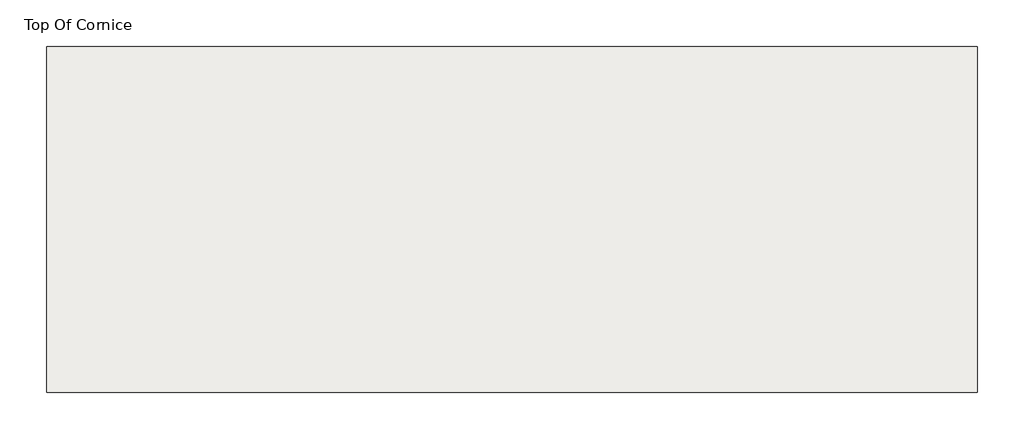
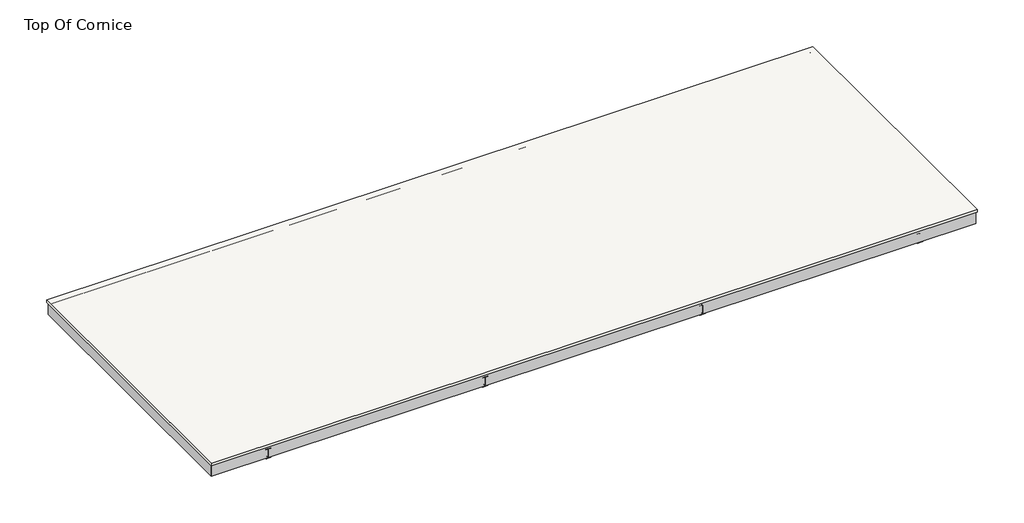
# One storey, part 1 of 2: 61 proxies, 17 beams, 1 roof.
"""IFC4 building model written with IfcOpenShell, lengths in millimetres."""

import ifcopenshell
import ifcopenshell.guid

model = None  # the IFC model being written
_history = None  # IfcOwnerHistory: only IFC2X3 demands one
_inside = {}  # id of a spatial element -> (the spatial element, [elements in it])
_under = {}  # id of a project, library or spatial element -> (it, [spatial elements below it])
_declared = {}  # id of a project -> (the project, [libraries it declares])
_typed = {}  # id of a type object -> (the type object, [elements of that type])
_made_of = {}  # id of a material, layer set ... -> (it, [elements and type objects made of it])


def new_model(schema):
    """Start an empty IFC model of exactly this schema.

    Asked for "IFC4X3", IfcOpenShell would pick the latest addendum, in which some entities
    have other attributes; the version numbers below select the first issue.
    IFC2X3 requires an IfcOwnerHistory on every rooted entity: one is made here for all.
    """
    global model, _history
    if schema == "IFC4X3":
        model = ifcopenshell.file(schema_version=(4, 3, 0, 0))
    else:
        model = ifcopenshell.file(schema=schema)
    _inside.clear()
    _under.clear()
    _declared.clear()
    _typed.clear()
    _made_of.clear()
    _history = None
    if model.schema == "IFC2X3":
        org = make("IfcOrganization", Name="unknown")
        user = make(
            "IfcPersonAndOrganization",
            ThePerson=make("IfcPerson", FamilyName="unknown"),
            TheOrganization=org,
        )
        app = make(
            "IfcApplication",
            ApplicationDeveloper=org,
            Version="unknown",
            ApplicationFullName="unknown",
            ApplicationIdentifier="unknown",
        )
        _history = make(
            "IfcOwnerHistory",
            OwningUser=user,
            OwningApplication=app,
            ChangeAction="ADDED",
            CreationDate=0,
        )
    return model


def make(cls, **values):
    """One entity of the class cls with the attributes given. An attribute that is None is left unset."""
    return model.create_entity(
        cls, **{name: value for name, value in values.items() if value is not None}
    )


def rooted(cls, **values):
    """An entity with a GlobalId (a new one), such as an element, a storey or a relation."""
    return make(cls, GlobalId=ifcopenshell.guid.new(), OwnerHistory=_history, **values)


def si_unit(unit_type, name, prefix=None):
    """IfcSIUnit, for example si_unit("LENGTHUNIT", "METRE", prefix="MILLI")."""
    return make("IfcSIUnit", UnitType=unit_type, Prefix=prefix, Name=name)


def assignment(units):
    """IfcUnitAssignment: the units of a project."""
    return None if units is None else make("IfcUnitAssignment", Units=units)


def point(xyz):
    """IfcCartesianPoint."""
    return None if xyz is None else make("IfcCartesianPoint", Coordinates=xyz)


def direction(xyz):
    """IfcDirection."""
    return None if xyz is None else make("IfcDirection", DirectionRatios=xyz)


def frame(location, z_axis=None, x_axis=None):
    """IfcAxis2Placement3D, a coordinate frame: its origin and axes. An axis left out is left unset."""
    return make(
        "IfcAxis2Placement3D",
        Location=point(location),
        Axis=direction(z_axis),
        RefDirection=direction(x_axis),
    )


def frame_2d(location, x_axis=None):
    """IfcAxis2Placement2D, a coordinate frame in the plane: its origin and x axis."""
    return make(
        "IfcAxis2Placement2D", Location=point(location), RefDirection=direction(x_axis)
    )


def origin():
    """The frame at (0, 0, 0) with its axes left unset."""
    return frame((0.0, 0.0, 0.0))


def place(relative_to, where):
    """IfcLocalPlacement: puts the frame where relative to a parent placement (None: the world)."""
    return make(
        "IfcLocalPlacement", PlacementRelTo=relative_to, RelativePlacement=where
    )


def context(
    kind, dimensions, precision=None, world=None, true_north=None, identifier=None
):
    """IfcGeometricRepresentationContext, for example the 3D "Model" context."""
    return make(
        "IfcGeometricRepresentationContext",
        ContextIdentifier=identifier,
        ContextType=kind,
        CoordinateSpaceDimension=dimensions,
        Precision=precision,
        WorldCoordinateSystem=world,
        TrueNorth=true_north,
    )


def project(units=None, contexts=None):
    """IfcProject with its units and contexts."""
    return rooted(
        "IfcProject",
        Name="project",
        RepresentationContexts=contexts,
        UnitsInContext=assignment(units),
    )


def spatial(cls, under=None, at=None, **own):
    """A site, building, storey or space (cls), placed at a placement, below another one or the project."""
    s = rooted(cls, ObjectPlacement=at, **own)
    if under is not None:
        _under.setdefault(under.id(), (under, []))[1].append(s)
    return s


def polyline(points):
    """IfcPolyline through the points."""
    return make("IfcPolyline", Points=[point(p) for p in points])


def circle_curve(where, radius):
    """IfcCircle in the frame where."""
    return make("IfcCircle", Position=where, Radius=radius)


def ellipse_curve(where, semi_axis1, semi_axis2):
    """IfcEllipse in the frame where."""
    return make(
        "IfcEllipse", Position=where, SemiAxis1=semi_axis1, SemiAxis2=semi_axis2
    )


def trimmed(basis, trim1, trim2, sense, master):
    """IfcTrimmedCurve: the piece of a basis curve between two trims."""
    return make(
        "IfcTrimmedCurve",
        BasisCurve=basis,
        Trim1=trim1,
        Trim2=trim2,
        SenseAgreement=sense,
        MasterRepresentation=master,
    )


def segment(curve, same_sense, transition):
    """IfcCompositeCurveSegment."""
    return make(
        "IfcCompositeCurveSegment",
        Transition=transition,
        SameSense=same_sense,
        ParentCurve=curve,
    )


def composite_curve(segments, self_intersect=None):
    """IfcCompositeCurve: segments joined end to end."""
    return make("IfcCompositeCurve", Segments=segments, SelfIntersect=self_intersect)


def outline(outer, holes=None, kind="AREA"):
    """IfcArbitraryClosedProfileDef: a profile drawn as a closed curve; with holes, ...WithVoids."""
    if holes is None:
        return make("IfcArbitraryClosedProfileDef", ProfileType=kind, OuterCurve=outer)
    return make(
        "IfcArbitraryProfileDefWithVoids",
        ProfileType=kind,
        OuterCurve=outer,
        InnerCurves=holes,
    )


def extrude(swept, where, along, depth):
    """IfcExtrudedAreaSolid: the profile swept, set in the frame where, extruded along a direction by depth."""
    return make(
        "IfcExtrudedAreaSolid",
        SweptArea=swept,
        Position=where,
        ExtrudedDirection=direction(along),
        Depth=depth,
    )


def shape(context_of_items, identifier, shape_type, items):
    """IfcShapeRepresentation: the items that make up one representation, for example the "Body"."""
    return make(
        "IfcShapeRepresentation",
        ContextOfItems=context_of_items,
        RepresentationIdentifier=identifier,
        RepresentationType=shape_type,
        Items=items,
    )


def source(mapping_origin, context_of_items, identifier, shape_type, items):
    """IfcRepresentationMap: a shape defined once, which mapped items show again and again."""
    return make(
        "IfcRepresentationMap",
        MappingOrigin=mapping_origin,
        MappedRepresentation=shape(context_of_items, identifier, shape_type, items),
    )


def transform(
    local_origin,
    x_axis=None,
    y_axis=None,
    z_axis=None,
    scale=None,
    scale2=None,
    scale3=None,
    uniform=True,
):
    """IfcCartesianTransformationOperator3D, or its non-uniform kind. x_axis, y_axis, z_axis: its Axis1, 2, 3."""
    if uniform:
        return make(
            "IfcCartesianTransformationOperator3D",
            Axis1=direction(x_axis),
            Axis2=direction(y_axis),
            LocalOrigin=point(local_origin),
            Scale=scale,
            Axis3=direction(z_axis),
        )
    return make(
        "IfcCartesianTransformationOperator3DnonUniform",
        Axis1=direction(x_axis),
        Axis2=direction(y_axis),
        LocalOrigin=point(local_origin),
        Scale=scale,
        Axis3=direction(z_axis),
        Scale2=scale2,
        Scale3=scale3,
    )


def mapped(mapping_source, mapping_target):
    """IfcMappedItem: shows the shape of a source again, moved by a transform."""
    return make(
        "IfcMappedItem", MappingSource=mapping_source, MappingTarget=mapping_target
    )


def made_of(thing, what):
    """Note that an element or type object is made of a material, layer set ...; save() writes the relation."""
    if what is not None:
        _made_of.setdefault(what.id(), (what, []))[1].append(thing)
    return thing


def element(
    cls,
    number,
    at=None,
    inside=None,
    cuts=None,
    type_object=None,
    material=None,
    context=None,
    identifier="Body",
    shape_type=None,
    held_by="IfcProductDefinitionShape",
    body=None,
    shapes=None,
    **own,
):
    """One element of the class cls, such as IfcWall. Its Tag is "e" and its number.

    at: its placement. inside: the storey or other place that contains it. cuts: it is an
    opening in that element (IfcRelVoidsElement). A single representation is given by context,
    identifier, shape_type and body (its items); several are given by shapes. held_by: the class
    of the entity that holds the representations. save() writes the other relations.
    """
    e = rooted(cls, Tag="e%d" % number, ObjectPlacement=at, **own)
    if body is not None:
        shapes = [shape(context, identifier, shape_type, body)]
    if shapes is not None:
        e.Representation = make(held_by, Representations=shapes)
    if inside is not None:
        _inside.setdefault(inside.id(), (inside, []))[1].append(e)
    if cuts is not None:
        rooted(
            "IfcRelVoidsElement", RelatingBuildingElement=cuts, RelatedOpeningElement=e
        )
    if type_object is not None:
        _typed.setdefault(type_object.id(), (type_object, []))[1].append(e)
    return made_of(e, material)


def aggregate(whole, parts):
    """IfcRelAggregates: a whole, such as a stair, and the parts it consists of."""
    return rooted("IfcRelAggregates", RelatingObject=whole, RelatedObjects=parts)


def save(model, path):
    """Write the relations noted so far, then the file.

    IfcRelAggregates (storeys below a building ...), IfcRelContainedInSpatialStructure (elements
    in a storey), IfcRelDefinesByType, IfcRelAssociatesMaterial and IfcRelDeclares: one each for
    every whole, place, type object, material and project.
    """
    for whole, parts in _under.values():
        aggregate(whole, parts)
    for where, things in _inside.values():
        rooted(
            "IfcRelContainedInSpatialStructure",
            RelatedElements=things,
            RelatingStructure=where,
        )
    for kind, things in _typed.values():
        rooted("IfcRelDefinesByType", RelatedObjects=things, RelatingType=kind)
    for what, things in _made_of.values():
        rooted("IfcRelAssociatesMaterial", RelatedObjects=things, RelatingMaterial=what)
    for by, libraries in _declared.values():
        rooted("IfcRelDeclares", RelatingContext=by, RelatedDefinitions=libraries)
    model.write(path)


def plane_surface(at):
    """IfcPlane: the flat surface through the origin of the frame at, square to its z axis."""
    return make("IfcPlane", Position=at)


def cylinder_surface(at, radius):
    """IfcCylindricalSurface: all points at the distance radius from the z axis of the frame at."""
    return make("IfcCylindricalSurface", Position=at, Radius=radius)


def advanced_brep(points, edges, surfaces, faces):
    """IfcAdvancedBrep: a solid bounded by faces that lie on surfaces and meet in shared edges.

    An edge is (start, end): straight between two places in points (the first is 0);
    or (start, end, curve); or (start, end, curve, False) where it runs against its curve.
    A face is (place in surfaces, loops), or (place, loops, False) where it looks against
    its surface's normal. A loop lists edges by number (the first is 1), with a minus sign
    where the edge is run from its end to its start. The first loop is the outer one.
    """
    corners = [point(p) for p in points]
    vertices = [make("IfcVertexPoint", VertexGeometry=c) for c in corners]
    made = []
    for start, end, *more in edges:
        made.append(
            make(
                "IfcEdgeCurve",
                EdgeStart=vertices[start],
                EdgeEnd=vertices[end],
                EdgeGeometry=more[0] if more else make("IfcPolyline", Points=[corners[start], corners[end]]),
                SameSense=more[1] if len(more) > 1 else True,
            )
        )
    hull = []
    for where, loops, *sense in faces:
        bounds = []
        for j, loop in enumerate(loops):
            ring = [make("IfcOrientedEdge", EdgeElement=made[abs(k) - 1], Orientation=k > 0) for k in loop]
            bounds.append(
                make(
                    "IfcFaceOuterBound" if j == 0 else "IfcFaceBound",
                    Bound=make("IfcEdgeLoop", EdgeList=ring),
                    Orientation=True,
                )
            )
        hull.append(make("IfcAdvancedFace", Bounds=bounds, FaceSurface=surfaces[where], SameSense=sense[0] if sense else True))
    return make("IfcAdvancedBrep", Outer=make("IfcClosedShell", CfsFaces=hull))


def w_wide_flange_w12x26_fbdf9ecd(model_context):
    return source(origin(), model_context, "Body", "SweptSolid", [
        extrude(outline(composite_curve([segment(polyline([(82.4011719, -145.5539063), (82.4011719, -155.178125), (-82.4011719, -155.178125), (-82.4011719, -145.5539063), (-20.2902344, -145.5539063)]), True, "CONTINUOUS"), segment(trimmed(circle_curve(frame_2d((-20.2902344, -128.190625)), 17.3632812), [point((-20.2902344, -145.5539063))], [point((-2.9269531, -128.190625))], True, "CARTESIAN"), True, "CONTINUOUS"), segment(polyline([(-2.9269531, -128.190625), (-2.9269531, 128.190625)]), True, "CONTINUOUS"), segment(trimmed(circle_curve(frame_2d((-20.2902344, 128.190625)), 17.3632812), [point((-2.9269531, 128.190625))], [point((-20.2902344, 145.5539062))], True, "CARTESIAN"), True, "CONTINUOUS"), segment(polyline([(-20.2902344, 145.5539062), (-82.4011719, 145.5539062), (-82.4011719, 155.178125), (82.4011719, 155.178125), (82.4011719, 145.5539062), (20.2902344, 145.5539062)]), True, "CONTINUOUS"), segment(trimmed(circle_curve(frame_2d((20.2902344, 128.190625)), 17.3632812), [point((20.2902344, 145.5539062))], [point((2.9269531, 128.190625))], True, "CARTESIAN"), True, "CONTINUOUS"), segment(polyline([(2.9269531, 128.190625), (2.9269531, -128.190625)]), True, "CONTINUOUS"), segment(trimmed(circle_curve(frame_2d((20.2902344, -128.190625)), 17.3632812), [point((2.9269531, -128.190625))], [point((20.2902344, -145.5539063))], True, "CARTESIAN"), True, "CONTINUOUS"), segment(polyline([(20.2902344, -145.5539063), (82.4011719, -145.5539063)]), True, "CONTINUOUS")], self_intersect=False)), frame((-4368.8, 0.0, 0.0), z_axis=(1.0, 0.0, 0.0), x_axis=(0.0, 1.0, 0.0)), (0.0, 0.0, 1.0), 8566.8312031),
    ])


def w_wide_flange_w12x26_67784524(model_context):
    return source(origin(), model_context, "Body", "SweptSolid", [
        extrude(outline(composite_curve([segment(polyline([(82.4011719, -145.5539063), (82.4011719, -155.178125), (-82.4011719, -155.178125), (-82.4011719, -145.5539063), (-20.2902344, -145.5539063)]), True, "CONTINUOUS"), segment(trimmed(circle_curve(frame_2d((-20.2902344, -128.190625)), 17.3632812), [point((-20.2902344, -145.5539063))], [point((-2.9269531, -128.190625))], True, "CARTESIAN"), True, "CONTINUOUS"), segment(polyline([(-2.9269531, -128.190625), (-2.9269531, 128.190625)]), True, "CONTINUOUS"), segment(trimmed(circle_curve(frame_2d((-20.2902344, 128.190625)), 17.3632812), [point((-2.9269531, 128.190625))], [point((-20.2902344, 145.5539062))], True, "CARTESIAN"), True, "CONTINUOUS"), segment(polyline([(-20.2902344, 145.5539062), (-82.4011719, 145.5539062), (-82.4011719, 155.178125), (82.4011719, 155.178125), (82.4011719, 145.5539062), (20.2902344, 145.5539062)]), True, "CONTINUOUS"), segment(trimmed(circle_curve(frame_2d((20.2902344, 128.190625)), 17.3632812), [point((20.2902344, 145.5539062))], [point((2.9269531, 128.190625))], True, "CARTESIAN"), True, "CONTINUOUS"), segment(polyline([(2.9269531, 128.190625), (2.9269531, -128.190625)]), True, "CONTINUOUS"), segment(trimmed(circle_curve(frame_2d((20.2902344, -128.190625)), 17.3632812), [point((2.9269531, -128.190625))], [point((20.2902344, -145.5539063))], True, "CARTESIAN"), True, "CONTINUOUS"), segment(polyline([(20.2902344, -145.5539063), (82.4011719, -145.5539063)]), True, "CONTINUOUS")], self_intersect=False)), frame((-4368.8, 0.0, 0.0), z_axis=(1.0, 0.0, 0.0), x_axis=(0.0, 1.0, 0.0)), (0.0, 0.0, 1.0), 8737.6),
    ])


def w_wide_flange_w12x26_4f55a199(model_context):
    return source(origin(), model_context, "Body", "SweptSolid", [
        extrude(outline(composite_curve([segment(polyline([(82.4011719, -145.5539063), (82.4011719, -155.178125), (-82.4011719, -155.178125), (-82.4011719, -145.5539063), (-20.2902344, -145.5539063)]), True, "CONTINUOUS"), segment(trimmed(circle_curve(frame_2d((-20.2902344, -128.190625)), 17.3632812), [point((-20.2902344, -145.5539063))], [point((-2.9269531, -128.190625))], True, "CARTESIAN"), True, "CONTINUOUS"), segment(polyline([(-2.9269531, -128.190625), (-2.9269531, 128.190625)]), True, "CONTINUOUS"), segment(trimmed(circle_curve(frame_2d((-20.2902344, 128.190625)), 17.3632812), [point((-2.9269531, 128.190625))], [point((-20.2902344, 145.5539062))], True, "CARTESIAN"), True, "CONTINUOUS"), segment(polyline([(-20.2902344, 145.5539062), (-82.4011719, 145.5539062), (-82.4011719, 155.178125), (82.4011719, 155.178125), (82.4011719, 145.5539062), (20.2902344, 145.5539062)]), True, "CONTINUOUS"), segment(trimmed(circle_curve(frame_2d((20.2902344, 128.190625)), 17.3632812), [point((20.2902344, 145.5539062))], [point((2.9269531, 128.190625))], True, "CARTESIAN"), True, "CONTINUOUS"), segment(polyline([(2.9269531, 128.190625), (2.9269531, -128.190625)]), True, "CONTINUOUS"), segment(trimmed(circle_curve(frame_2d((20.2902344, -128.190625)), 17.3632812), [point((2.9269531, -128.190625))], [point((20.2902344, -145.5539063))], True, "CARTESIAN"), True, "CONTINUOUS"), segment(polyline([(20.2902344, -145.5539063), (82.4011719, -145.5539063)]), True, "CONTINUOUS")], self_intersect=False)), frame((-4269.74, 0.0, 0.0), z_axis=(1.0, 0.0, 0.0), x_axis=(0.0, 1.0, 0.0)), (0.0, 0.0, 1.0), 8539.48),
    ])


def generic_models_2a9fe7a5(model_context):
    return source(origin(), model_context, "Body", "SweptSolid", [
        extrude(outline(polyline([(323.85, 76.2), (323.85, 0.0), (273.05, 0.0), (222.25, 50.8), (-222.25, 50.8), (-273.05, 0.0), (-323.85, 0.0), (-323.85, 76.2), (323.85, 76.2)])), frame((0.0, 0.0, 0.0), z_axis=(1.0, 0.0, 0.0), x_axis=(0.0, 1.0, 0.0)), (0.0, 0.0, 1.0), 1676.4),
    ])


model = new_model("IFC4")

# Units and contexts
model_context = context("Model", 3, world=origin())
ifc_project = project(units=[si_unit("LENGTHUNIT", "METRE", prefix="MILLI")], contexts=[model_context])

# Site, building, storey
site = spatial("IfcSite", under=ifc_project)
building = spatial("IfcBuilding", under=site)
storey = spatial("IfcBuildingStorey", under=building, Name="Top Of Cornice", Elevation=4114.8)

# Beams
placement = place(None, origin())
element("IfcBeam", 1, ObjectType="C-Channel : C15X33.9", at=placement, inside=storey, context=model_context, shape_type="AdvancedBrep", body=[
    advanced_brep(
    [(30194.5802, 15769.59, 4114.8), (30280.9402, 15855.95, 4114.8), (6666.5348, 15855.95, 4114.8), (6752.8948, 15769.59, 4114.8), (30211.0902, 15786.1, 4098.29), (6736.3848, 15786.1, 4098.29), (30270.7802, 15845.79, 4088.8360328), (6676.6948, 15845.79, 4088.8360328), (30270.7802, 15845.79, 3759.7639672), (6676.6948, 15845.79, 3759.7639672), (30211.0902, 15786.1, 3750.31), (6736.3848, 15786.1, 3750.31), (30194.5802, 15769.59, 3733.8), (6752.8948, 15769.59, 3733.8), (30280.9402, 15855.95, 3733.8), (6666.5348, 15855.95, 3733.8)],
    [
        (0, 1),
        (1, 2),
        (2, 3),
        (3, 0),
        (4, 0, ellipse_curve(frame((30211.0902, 15786.1, 4114.8), z_axis=(-0.7071067811865387, 0.7071067811865563, 0.0), x_axis=(-0.7071067811865562, -0.7071067811865387, 0.0)), 23.3486659, 16.51)),
        (3, 5, ellipse_curve(frame((6736.3848, 15786.1, 4114.8), z_axis=(0.7071067811865476, 0.7071067811865476, 0.0), x_axis=(-0.7071067811865474, 0.7071067811865476, 0.0)), 23.3486659, 16.51)),
        (5, 4),
        (6, 4),
        (5, 7),
        (7, 6),
        (8, 6),
        (7, 9),
        (9, 8),
        (10, 8),
        (9, 11),
        (11, 10),
        (12, 10, ellipse_curve(frame((30211.0902, 15786.1, 3733.8), z_axis=(-0.7071067811865387, 0.7071067811865563, 0.0), x_axis=(-0.7071067811865562, -0.7071067811865387, 0.0)), 23.3486659, 16.51)),
        (11, 13, ellipse_curve(frame((6736.3848, 15786.1, 3733.8), z_axis=(0.7071067811865476, 0.7071067811865476, 0.0), x_axis=(-0.7071067811865474, 0.7071067811865476, 0.0)), 23.3486659, 16.51)),
        (13, 12),
        (14, 12),
        (13, 15),
        (15, 14),
        (1, 14),
        (15, 2),
    ],
    [
        plane_surface(frame((30260.925, 15812.77, 4114.8), z_axis=(0.0, 0.0, 1.0), x_axis=(0.0, -1.0, 0.0))),
        cylinder_surface(frame((30260.925, 15786.1, 4114.8), z_axis=(-1.0, 0.0, 0.0), x_axis=(0.0, 0.0, -1.0)), 16.51),
        plane_surface(frame((30260.925, 15815.945, 4093.5630164), z_axis=(0.0, -0.15643446504022748, -0.9876883405951383), x_axis=(0.0, 0.9876883405951383, -0.15643446504022748))),
        plane_surface(frame((30260.925, 15845.79, 3924.3), z_axis=(0.0, -1.0, 0.0), x_axis=(0.0, 0.0, -1.0))),
        plane_surface(frame((30260.925, 15815.945, 3755.0369836), z_axis=(0.0, -0.15643446504023373, 0.9876883405951373), x_axis=(0.0, -0.9876883405951373, -0.15643446504023373))),
        cylinder_surface(frame((30260.925, 15786.1, 3733.8), z_axis=(-1.0, 0.0, 0.0), x_axis=(0.0, -1.0, 0.0)), 16.51),
        plane_surface(frame((30260.925, 15812.77, 3733.8), z_axis=(0.0, 0.0, -1.0), x_axis=(0.0, 1.0, 0.0))),
        plane_surface(frame((30260.925, 15855.95, 3924.3), z_axis=(0.0, 1.0, 0.0), x_axis=(0.0, 0.0, 1.0))),
        plane_surface(frame((30194.5802, 15769.59, 4114.8), z_axis=(0.7071067811865387, -0.7071067811865563, 0.0), x_axis=(0.7071067811865563, 0.7071067811865387, 0.0))),
        plane_surface(frame((6752.8948, 15769.59, 4114.8), z_axis=(-0.7071067811865476, -0.7071067811865476, 0.0), x_axis=(0.7071067811865476, -0.7071067811865476, 0.0))),
    ],
    [
        (0, [[1, 2, 3, 4]]),
        (1, [[5, -4, 6, 7]]),
        (2, [[8, -7, 9, 10]]),
        (3, [[11, -10, 12, 13]]),
        (4, [[14, -13, 15, 16]]),
        (5, [[17, -16, 18, 19]]),
        (6, [[20, -19, 21, 22]]),
        (7, [[23, -22, 24, -2]]),
        (8, [[-1, -5, -8, -11, -14, -17, -20, -23]]),
        (9, [[-24, -21, -18, -15, -12, -9, -6, -3]]),
    ],
),
])
element("IfcBeam", 2, ObjectType="C-Channel : C15X33.9", at=placement, inside=storey, context=model_context, shape_type="AdvancedBrep", body=[
    advanced_brep(
    [(6752.8948, 7204.71, 4114.8), (6666.5348, 7118.35, 4114.8), (30280.9402, 7118.35, 4114.8), (30194.5802, 7204.71, 4114.8), (6736.3848, 7188.2, 4098.29), (30211.0902, 7188.2, 4098.29), (6676.6948, 7128.51, 4088.8360328), (30270.7802, 7128.51, 4088.8360328), (6676.6948, 7128.51, 3759.7639672), (30270.7802, 7128.51, 3759.7639672), (6736.3848, 7188.2, 3750.31), (30211.0902, 7188.2, 3750.31), (6752.8948, 7204.71, 3733.8), (30194.5802, 7204.71, 3733.8), (6666.5348, 7118.35, 3733.8), (30280.9402, 7118.35, 3733.8)],
    [
        (0, 1),
        (1, 2),
        (2, 3),
        (3, 0),
        (4, 0, ellipse_curve(frame((6736.3848, 7188.2, 4114.8), z_axis=(0.7071067811865387, -0.7071067811865563, 0.0), x_axis=(0.7071067811865562, 0.7071067811865387, 0.0)), 23.3486659, 16.51)),
        (3, 5, ellipse_curve(frame((30211.0902, 7188.2, 4114.8), z_axis=(-0.7071067811865387, -0.7071067811865563, 0.0), x_axis=(0.7071067811865562, -0.7071067811865387, 0.0)), 23.3486659, 16.51)),
        (5, 4),
        (6, 4),
        (5, 7),
        (7, 6),
        (8, 6),
        (7, 9),
        (9, 8),
        (10, 8),
        (9, 11),
        (11, 10),
        (12, 10, ellipse_curve(frame((6736.3848, 7188.2, 3733.8), z_axis=(0.7071067811865387, -0.7071067811865563, 0.0), x_axis=(0.7071067811865562, 0.7071067811865387, 0.0)), 23.3486659, 16.51)),
        (11, 13, ellipse_curve(frame((30211.0902, 7188.2, 3733.8), z_axis=(-0.7071067811865387, -0.7071067811865563, 0.0), x_axis=(0.7071067811865562, -0.7071067811865387, 0.0)), 23.3486659, 16.51)),
        (13, 12),
        (14, 12),
        (13, 15),
        (15, 14),
        (1, 14),
        (15, 2),
    ],
    [
        plane_surface(frame((6686.55, 7161.53, 4114.8), z_axis=(0.0, 0.0, 1.0), x_axis=(0.0, 1.0, 0.0))),
        cylinder_surface(frame((6686.55, 7188.2, 4114.8), z_axis=(1.0, 0.0, 0.0), x_axis=(0.0, 0.0, -1.0)), 16.51),
        plane_surface(frame((6686.55, 7158.355, 4093.5630164), z_axis=(0.0, 0.15643446504022748, -0.9876883405951383), x_axis=(0.0, -0.9876883405951383, -0.15643446504022748))),
        plane_surface(frame((6686.55, 7128.51, 3924.3), z_axis=(0.0, 1.0, 0.0), x_axis=(0.0, 0.0, -1.0))),
        plane_surface(frame((6686.55, 7158.355, 3755.0369836), z_axis=(0.0, 0.15643446504023373, 0.9876883405951373), x_axis=(0.0, 0.9876883405951373, -0.15643446504023373))),
        cylinder_surface(frame((6686.55, 7188.2, 3733.8), z_axis=(1.0, 0.0, 0.0), x_axis=(0.0, 1.0, 0.0)), 16.51),
        plane_surface(frame((6686.55, 7161.53, 3733.8), z_axis=(0.0, 0.0, -1.0), x_axis=(0.0, -1.0, 0.0))),
        plane_surface(frame((6686.55, 7118.35, 3924.3), z_axis=(0.0, -1.0, 0.0), x_axis=(0.0, 0.0, 1.0))),
        plane_surface(frame((30194.5802, 7204.71, 4114.8), z_axis=(0.7071067811865387, 0.7071067811865563, 0.0), x_axis=(0.7071067811865563, -0.7071067811865387, 0.0))),
        plane_surface(frame((6752.8948, 7204.71, 4114.8), z_axis=(-0.7071067811865387, 0.7071067811865563, 0.0), x_axis=(0.7071067811865563, 0.7071067811865387, 0.0))),
    ],
    [
        (0, [[1, 2, 3, 4]]),
        (1, [[5, -4, 6, 7]]),
        (2, [[8, -7, 9, 10]]),
        (3, [[11, -10, 12, 13]]),
        (4, [[14, -13, 15, 16]]),
        (5, [[17, -16, 18, 19]]),
        (6, [[20, -19, 21, 22]]),
        (7, [[23, -22, 24, -2]]),
        (8, [[-24, -21, -18, -15, -12, -9, -6, -3]]),
        (9, [[-1, -5, -8, -11, -14, -17, -20, -23]]),
    ],
),
])
element("IfcBeam", 3, ObjectType="C-Channel : C15X33.9", at=placement, inside=storey, context=model_context, shape_type="AdvancedBrep", body=[
    advanced_brep(
    [(6752.8948, 15769.59, 4114.8), (6666.5348, 15855.95, 4114.8), (6666.5348, 7118.35, 4114.8), (6752.8948, 7204.71, 4114.8), (6736.3848, 15786.1, 4098.29), (6736.3848, 7188.2, 4098.29), (6676.6948, 15845.79, 4088.8360328), (6676.6948, 7128.51, 4088.8360328), (6676.6948, 15845.79, 3759.7639672), (6676.6948, 7128.51, 3759.7639672), (6736.3848, 15786.1, 3750.31), (6736.3848, 7188.2, 3750.31), (6752.8948, 15769.59, 3733.8), (6752.8948, 7204.71, 3733.8), (6666.5348, 15855.95, 3733.8), (6666.5348, 7118.35, 3733.8)],
    [
        (0, 1),
        (1, 2),
        (2, 3),
        (3, 0),
        (4, 0, ellipse_curve(frame((6736.3848, 15786.1, 4114.8), z_axis=(-0.7071067811865476, -0.7071067811865476, 0.0), x_axis=(0.7071067811865476, -0.7071067811865474, 0.0)), 23.3486659, 16.51)),
        (3, 5, ellipse_curve(frame((6736.3848, 7188.2, 4114.8), z_axis=(-0.7071067811865476, 0.7071067811865476, 0.0), x_axis=(-0.7071067811865476, -0.7071067811865474, 0.0)), 23.3486659, 16.51)),
        (5, 4),
        (6, 4),
        (5, 7),
        (7, 6),
        (8, 6),
        (7, 9),
        (9, 8),
        (10, 8),
        (9, 11),
        (11, 10),
        (12, 10, ellipse_curve(frame((6736.3848, 15786.1, 3733.8), z_axis=(-0.7071067811865476, -0.7071067811865476, 0.0), x_axis=(0.7071067811865476, -0.7071067811865474, 0.0)), 23.3486659, 16.51)),
        (11, 13, ellipse_curve(frame((6736.3848, 7188.2, 3733.8), z_axis=(-0.7071067811865476, 0.7071067811865476, 0.0), x_axis=(-0.7071067811865476, -0.7071067811865474, 0.0)), 23.3486659, 16.51)),
        (13, 12),
        (14, 12),
        (13, 15),
        (15, 14),
        (1, 14),
        (15, 2),
    ],
    [
        plane_surface(frame((6709.7148, 15835.9348, 4114.8), z_axis=(0.0, 0.0, 1.0), x_axis=(1.0, 0.0, 0.0))),
        cylinder_surface(frame((6736.3848, 15835.9348, 4114.8), z_axis=(0.0, -1.0, 0.0), x_axis=(0.0, 0.0, -1.0)), 16.51),
        plane_surface(frame((6706.5398, 15835.9348, 4093.5630164), z_axis=(0.15643446504022748, 0.0, -0.9876883405951383), x_axis=(-0.9876883405951383, 0.0, -0.15643446504022748))),
        plane_surface(frame((6676.6948, 15835.9348, 3924.3), z_axis=(1.0, 0.0, 0.0), x_axis=(0.0, 0.0, -1.0))),
        plane_surface(frame((6706.5398, 15835.9348, 3755.0369836), z_axis=(0.15643446504023373, 0.0, 0.9876883405951373), x_axis=(0.9876883405951373, 0.0, -0.15643446504023373))),
        cylinder_surface(frame((6736.3848, 15835.9348, 3733.8), z_axis=(0.0, -1.0, 0.0), x_axis=(1.0, 0.0, 0.0)), 16.51),
        plane_surface(frame((6709.7148, 15835.9348, 3733.8), z_axis=(0.0, 0.0, -1.0), x_axis=(-1.0, 0.0, 0.0))),
        plane_surface(frame((6666.5348, 15835.9348, 3924.3), z_axis=(-1.0, 0.0, 0.0), x_axis=(0.0, 0.0, 1.0))),
        plane_surface(frame((6752.8948, 7204.71, 4114.8), z_axis=(0.7071067811865476, -0.7071067811865476, 0.0), x_axis=(0.7071067811865476, 0.7071067811865476, 0.0))),
        plane_surface(frame((6752.8948, 15769.59, 4114.8), z_axis=(0.7071067811865476, 0.7071067811865476, 0.0), x_axis=(0.7071067811865476, -0.7071067811865476, 0.0))),
    ],
    [
        (0, [[1, 2, 3, 4]]),
        (1, [[5, -4, 6, 7]]),
        (2, [[8, -7, 9, 10]]),
        (3, [[11, -10, 12, 13]]),
        (4, [[14, -13, 15, 16]]),
        (5, [[17, -16, 18, 19]]),
        (6, [[20, -19, 21, 22]]),
        (7, [[23, -22, 24, -2]]),
        (8, [[-24, -21, -18, -15, -12, -9, -6, -3]]),
        (9, [[-1, -5, -8, -11, -14, -17, -20, -23]]),
    ],
),
])
element("IfcBeam", 4, ObjectType="C-Channel : C15X33.9", at=placement, inside=storey, context=model_context, shape_type="AdvancedBrep", body=[
    advanced_brep(
    [(30194.5802, 7204.71, 4114.8), (30280.9402, 7118.35, 4114.8), (30280.9402, 15855.95, 4114.8), (30194.5802, 15769.59, 4114.8), (30211.0902, 7188.2, 4098.29), (30211.0902, 15786.1, 4098.29), (30270.7802, 7128.51, 4088.8360328), (30270.7802, 15845.79, 4088.8360328), (30270.7802, 7128.51, 3759.7639672), (30270.7802, 15845.79, 3759.7639672), (30211.0902, 7188.2, 3750.31), (30211.0902, 15786.1, 3750.31), (30194.5802, 7204.71, 3733.8), (30194.5802, 15769.59, 3733.8), (30280.9402, 7118.35, 3733.8), (30280.9402, 15855.95, 3733.8)],
    [
        (0, 1),
        (1, 2),
        (2, 3),
        (3, 0),
        (4, 0, ellipse_curve(frame((30211.0902, 7188.2, 4114.8), z_axis=(0.7071067811865387, 0.7071067811865563, 0.0), x_axis=(-0.7071067811865563, 0.7071067811865388, 0.0)), 23.3486659, 16.51)),
        (3, 5, ellipse_curve(frame((30211.0902, 15786.1, 4114.8), z_axis=(0.7071067811865387, -0.7071067811865563, 0.0), x_axis=(0.7071067811865563, 0.7071067811865388, 0.0)), 23.3486659, 16.51)),
        (5, 4),
        (6, 4),
        (5, 7),
        (7, 6),
        (8, 6),
        (7, 9),
        (9, 8),
        (10, 8),
        (9, 11),
        (11, 10),
        (12, 10, ellipse_curve(frame((30211.0902, 7188.2, 3733.8), z_axis=(0.7071067811865387, 0.7071067811865563, 0.0), x_axis=(-0.7071067811865563, 0.7071067811865388, 0.0)), 23.3486659, 16.51)),
        (11, 13, ellipse_curve(frame((30211.0902, 15786.1, 3733.8), z_axis=(0.7071067811865387, -0.7071067811865563, 0.0), x_axis=(0.7071067811865563, 0.7071067811865388, 0.0)), 23.3486659, 16.51)),
        (13, 12),
        (14, 12),
        (13, 15),
        (15, 14),
        (1, 14),
        (15, 2),
    ],
    [
        plane_surface(frame((30237.7602, 7138.3652, 4114.8), z_axis=(0.0, 0.0, 1.0), x_axis=(-1.0, 0.0, 0.0))),
        cylinder_surface(frame((30211.0902, 7138.3652, 4114.8), z_axis=(0.0, 1.0, 0.0), x_axis=(0.0, 0.0, -1.0)), 16.51),
        plane_surface(frame((30240.9352, 7138.3652, 4093.5630164), z_axis=(-0.15643446504022748, 0.0, -0.9876883405951383), x_axis=(0.9876883405951383, 0.0, -0.15643446504022748))),
        plane_surface(frame((30270.7802, 7138.3652, 3924.3), z_axis=(-1.0, 0.0, 0.0), x_axis=(0.0, 0.0, -1.0))),
        plane_surface(frame((30240.9352, 7138.3652, 3755.0369836), z_axis=(-0.15643446504023373, 0.0, 0.9876883405951373), x_axis=(-0.9876883405951373, 0.0, -0.15643446504023373))),
        cylinder_surface(frame((30211.0902, 7138.3652, 3733.8), z_axis=(0.0, 1.0, 0.0), x_axis=(-1.0, 0.0, 0.0)), 16.51),
        plane_surface(frame((30237.7602, 7138.3652, 3733.8), z_axis=(0.0, 0.0, -1.0), x_axis=(1.0, 0.0, 0.0))),
        plane_surface(frame((30280.9402, 7138.3652, 3924.3), z_axis=(1.0, 0.0, 0.0), x_axis=(0.0, 0.0, 1.0))),
        plane_surface(frame((30194.5802, 15769.59, 4114.8), z_axis=(-0.7071067811865387, 0.7071067811865563, 0.0), x_axis=(0.7071067811865563, 0.7071067811865387, 0.0))),
        plane_surface(frame((30194.5802, 7204.71, 4114.8), z_axis=(-0.7071067811865387, -0.7071067811865563, 0.0), x_axis=(0.7071067811865563, -0.7071067811865387, 0.0))),
    ],
    [
        (0, [[1, 2, 3, 4]]),
        (1, [[5, -4, 6, 7]]),
        (2, [[8, -7, 9, 10]]),
        (3, [[11, -10, 12, 13]]),
        (4, [[14, -13, 15, 16]]),
        (5, [[17, -16, 18, 19]]),
        (6, [[20, -19, 21, 22]]),
        (7, [[23, -22, 24, -2]]),
        (8, [[-24, -21, -18, -15, -12, -9, -6, -3]]),
        (9, [[-1, -5, -8, -11, -14, -17, -20, -23]]),
    ],
),
])
w_wide_flange_w12x26_shape = w_wide_flange_w12x26_fbdf9ecd(model_context)
element("IfcBeam", 5, ObjectType="W-Wide Flange : W12X26", at=placement, inside=storey, context=model_context, shape_type="MappedRepresentation", body=[
    mapped(w_wide_flange_w12x26_shape, transform((20154.9, 11395.4260031, 3870.721875), x_axis=(0.0, -1.0, 0.0), y_axis=(1.0, 0.0, 0.0), z_axis=(0.0, 0.0, 1.0))),
])
element("IfcBeam", 6, ObjectType="W-Wide Flange : W12X26", at=placement, inside=storey, context=model_context, shape_type="MappedRepresentation", body=[
    mapped(w_wide_flange_w12x26_shape, transform((23511.66875, 11395.4260031, 3870.721875), x_axis=(0.0, -1.0, 0.0), y_axis=(1.0, 0.0, 0.0), z_axis=(0.0, 0.0, 1.0))),
])
element("IfcBeam", 7, ObjectType="W-Wide Flange : W12X26", at=placement, inside=storey, context=model_context, shape_type="MappedRepresentation", body=[
    mapped(w_wide_flange_w12x26_shape, transform((25192.0375, 11395.4260031, 3870.721875), x_axis=(0.0, -1.0, 0.0), y_axis=(1.0, 0.0, 0.0), z_axis=(0.0, 0.0, 1.0))),
])
element("IfcBeam", 8, ObjectType="W-Wide Flange : W12X26", at=placement, inside=storey, context=model_context, shape_type="MappedRepresentation", body=[
    mapped(w_wide_flange_w12x26_shape, transform((26872.40625, 11395.4260031, 3870.721875), x_axis=(0.0, -1.0, 0.0), y_axis=(1.0, 0.0, 0.0), z_axis=(0.0, 0.0, 1.0))),
])
w_wide_flange_w12x26_2_shape = w_wide_flange_w12x26_67784524(model_context)
element("IfcBeam", 9, ObjectType="W-Wide Flange : W12X26", at=placement, inside=storey, context=model_context, shape_type="MappedRepresentation", body=[
    mapped(w_wide_flange_w12x26_2_shape, transform((8420.1, 11487.15, 3870.721875), x_axis=(0.0, -1.0, 0.0), y_axis=(1.0, 0.0, 0.0), z_axis=(0.0, 0.0, 1.0))),
])
element("IfcBeam", 10, ObjectType="W-Wide Flange : W12X26", at=placement, inside=storey, context=model_context, shape_type="MappedRepresentation", body=[
    mapped(w_wide_flange_w12x26_2_shape, transform((15125.7, 11487.15, 3870.721875), x_axis=(0.0, -1.0, 0.0), y_axis=(1.0, 0.0, 0.0), z_axis=(0.0, 0.0, 1.0))),
])
element("IfcBeam", 11, ObjectType="W-Wide Flange : W12X26", at=placement, inside=storey, context=model_context, shape_type="MappedRepresentation", body=[
    mapped(w_wide_flange_w12x26_2_shape, transform((21840.825, 11487.15, 3870.721875), x_axis=(0.0, -1.0, 0.0), y_axis=(1.0, 0.0, 0.0), z_axis=(0.0, 0.0, 1.0))),
])
element("IfcBeam", 12, ObjectType="W-Wide Flange : W12X26", at=placement, inside=storey, context=model_context, shape_type="MappedRepresentation", body=[
    mapped(w_wide_flange_w12x26_2_shape, transform((28552.775, 11487.15, 3870.721875), x_axis=(0.0, -1.0, 0.0), y_axis=(1.0, 0.0, 0.0), z_axis=(0.0, 0.0, 1.0))),
])
w_wide_flange_w12x26_3_shape = w_wide_flange_w12x26_4f55a199(model_context)
element("IfcBeam", 13, ObjectType="W-Wide Flange : W12X26", at=placement, inside=storey, context=model_context, shape_type="MappedRepresentation", body=[
    mapped(w_wide_flange_w12x26_3_shape, transform((10096.5, 11487.15, 3870.721875), x_axis=(0.0, -1.0, 0.0), y_axis=(1.0, 0.0, 0.0), z_axis=(0.0, 0.0, 1.0))),
])
element("IfcBeam", 14, ObjectType="W-Wide Flange : W12X26", at=placement, inside=storey, context=model_context, shape_type="MappedRepresentation", body=[
    mapped(w_wide_flange_w12x26_3_shape, transform((11772.9, 11487.15, 3870.721875), x_axis=(0.0, -1.0, 0.0), y_axis=(1.0, 0.0, 0.0), z_axis=(0.0, 0.0, 1.0))),
])
element("IfcBeam", 15, ObjectType="W-Wide Flange : W12X26", at=placement, inside=storey, context=model_context, shape_type="MappedRepresentation", body=[
    mapped(w_wide_flange_w12x26_3_shape, transform((13449.3, 11487.15, 3870.721875), x_axis=(0.0, -1.0, 0.0), y_axis=(1.0, 0.0, 0.0), z_axis=(0.0, 0.0, 1.0))),
])
element("IfcBeam", 16, ObjectType="W-Wide Flange : W12X26", at=placement, inside=storey, context=model_context, shape_type="MappedRepresentation", body=[
    mapped(w_wide_flange_w12x26_3_shape, transform((16802.1, 11487.15, 3870.721875), x_axis=(0.0, -1.0, 0.0), y_axis=(1.0, 0.0, 0.0), z_axis=(0.0, 0.0, 1.0))),
])
element("IfcBeam", 17, ObjectType="W-Wide Flange : W12X26", at=placement, inside=storey, context=model_context, shape_type="MappedRepresentation", body=[
    mapped(w_wide_flange_w12x26_3_shape, transform((18478.5, 11487.15, 3870.721875), x_axis=(0.0, -1.0, 0.0), y_axis=(1.0, 0.0, 0.0), z_axis=(0.0, 0.0, 1.0))),
])

# Proxies
generic_models_shape = generic_models_2a9fe7a5(model_context)
element("IfcBuildingElementProxy", 18, Name="Generic Models", at=placement, inside=storey, context=model_context, shape_type="MappedRepresentation", body=[
    mapped(generic_models_shape, transform((8420.1, 15449.55, 4025.9), x_axis=(1.0, 0.0, 0.0), y_axis=(0.0, 1.0, 0.0), z_axis=(0.0, 0.0, 1.0))),
])
element("IfcBuildingElementProxy", 19, Name="Generic Models", at=placement, inside=storey, context=model_context, shape_type="MappedRepresentation", body=[
    mapped(generic_models_shape, transform((8420.1, 7524.75, 4025.9), x_axis=(1.0, 0.0, 0.0), y_axis=(0.0, 1.0, 0.0), z_axis=(0.0, 0.0, 1.0))),
])
element("IfcBuildingElementProxy", 20, Name="Generic Models", at=placement, inside=storey, context=model_context, shape_type="MappedRepresentation", body=[
    mapped(generic_models_shape, transform((8420.1, 14789.15, 4025.9), x_axis=(1.0, 0.0, 0.0), y_axis=(0.0, 1.0, 0.0), z_axis=(0.0, 0.0, 1.0))),
])
element("IfcBuildingElementProxy", 21, Name="Generic Models", at=placement, inside=storey, context=model_context, shape_type="MappedRepresentation", body=[
    mapped(generic_models_shape, transform((8420.1, 14128.75, 4025.9), x_axis=(1.0, 0.0, 0.0), y_axis=(0.0, 1.0, 0.0), z_axis=(0.0, 0.0, 1.0))),
])
element("IfcBuildingElementProxy", 22, Name="Generic Models", at=placement, inside=storey, context=model_context, shape_type="MappedRepresentation", body=[
    mapped(generic_models_shape, transform((8420.1, 13468.35, 4025.9), x_axis=(1.0, 0.0, 0.0), y_axis=(0.0, 1.0, 0.0), z_axis=(0.0, 0.0, 1.0))),
])
element("IfcBuildingElementProxy", 23, Name="Generic Models", at=placement, inside=storey, context=model_context, shape_type="MappedRepresentation", body=[
    mapped(generic_models_shape, transform((8420.1, 12807.95, 4025.9), x_axis=(1.0, 0.0, 0.0), y_axis=(0.0, 1.0, 0.0), z_axis=(0.0, 0.0, 1.0))),
])
element("IfcBuildingElementProxy", 24, Name="Generic Models", at=placement, inside=storey, context=model_context, shape_type="MappedRepresentation", body=[
    mapped(generic_models_shape, transform((8420.1, 12147.55, 4025.9), x_axis=(1.0, 0.0, 0.0), y_axis=(0.0, 1.0, 0.0), z_axis=(0.0, 0.0, 1.0))),
])
element("IfcBuildingElementProxy", 25, Name="Generic Models", at=placement, inside=storey, context=model_context, shape_type="MappedRepresentation", body=[
    mapped(generic_models_shape, transform((8420.1, 11487.15, 4025.9), x_axis=(1.0, 0.0, 0.0), y_axis=(0.0, 1.0, 0.0), z_axis=(0.0, 0.0, 1.0))),
])
element("IfcBuildingElementProxy", 26, Name="Generic Models", at=placement, inside=storey, context=model_context, shape_type="MappedRepresentation", body=[
    mapped(generic_models_shape, transform((8420.1, 10826.75, 4025.9), x_axis=(1.0, 0.0, 0.0), y_axis=(0.0, 1.0, 0.0), z_axis=(0.0, 0.0, 1.0))),
])
element("IfcBuildingElementProxy", 27, Name="Generic Models", at=placement, inside=storey, context=model_context, shape_type="MappedRepresentation", body=[
    mapped(generic_models_shape, transform((8420.1, 10166.35, 4025.9), x_axis=(1.0, 0.0, 0.0), y_axis=(0.0, 1.0, 0.0), z_axis=(0.0, 0.0, 1.0))),
])
element("IfcBuildingElementProxy", 28, Name="Generic Models", at=placement, inside=storey, context=model_context, shape_type="MappedRepresentation", body=[
    mapped(generic_models_shape, transform((8420.1, 9505.95, 4025.9), x_axis=(1.0, 0.0, 0.0), y_axis=(0.0, 1.0, 0.0), z_axis=(0.0, 0.0, 1.0))),
])
element("IfcBuildingElementProxy", 29, Name="Generic Models", at=placement, inside=storey, context=model_context, shape_type="MappedRepresentation", body=[
    mapped(generic_models_shape, transform((8420.1, 8845.55, 4025.9), x_axis=(1.0, 0.0, 0.0), y_axis=(0.0, 1.0, 0.0), z_axis=(0.0, 0.0, 1.0))),
])
element("IfcBuildingElementProxy", 30, Name="Generic Models", at=placement, inside=storey, context=model_context, shape_type="MappedRepresentation", body=[
    mapped(generic_models_shape, transform((8420.1, 8185.15, 4025.9), x_axis=(1.0, 0.0, 0.0), y_axis=(0.0, 1.0, 0.0), z_axis=(0.0, 0.0, 1.0))),
])
element("IfcBuildingElementProxy", 31, Name="Generic Models", at=placement, inside=storey, context=model_context, shape_type="MappedRepresentation", body=[
    mapped(generic_models_shape, transform((10096.5, 7524.75, 4025.9), x_axis=(1.0, 0.0, 0.0), y_axis=(0.0, 1.0, 0.0), z_axis=(0.0, 0.0, 1.0))),
])
element("IfcBuildingElementProxy", 32, Name="Generic Models", at=placement, inside=storey, context=model_context, shape_type="MappedRepresentation", body=[
    mapped(generic_models_shape, transform((10096.5, 14789.15, 4025.9), x_axis=(1.0, 0.0, 0.0), y_axis=(0.0, 1.0, 0.0), z_axis=(0.0, 0.0, 1.0))),
])
element("IfcBuildingElementProxy", 33, Name="Generic Models", at=placement, inside=storey, context=model_context, shape_type="MappedRepresentation", body=[
    mapped(generic_models_shape, transform((10096.5, 13468.35, 4025.9), x_axis=(1.0, 0.0, 0.0), y_axis=(0.0, 1.0, 0.0), z_axis=(0.0, 0.0, 1.0))),
])
element("IfcBuildingElementProxy", 34, Name="Generic Models", at=placement, inside=storey, context=model_context, shape_type="MappedRepresentation", body=[
    mapped(generic_models_shape, transform((10096.5, 12807.95, 4025.9), x_axis=(1.0, 0.0, 0.0), y_axis=(0.0, 1.0, 0.0), z_axis=(0.0, 0.0, 1.0))),
])
element("IfcBuildingElementProxy", 35, Name="Generic Models", at=placement, inside=storey, context=model_context, shape_type="MappedRepresentation", body=[
    mapped(generic_models_shape, transform((10096.5, 12147.55, 4025.9), x_axis=(1.0, 0.0, 0.0), y_axis=(0.0, 1.0, 0.0), z_axis=(0.0, 0.0, 1.0))),
])
element("IfcBuildingElementProxy", 36, Name="Generic Models", at=placement, inside=storey, context=model_context, shape_type="MappedRepresentation", body=[
    mapped(generic_models_shape, transform((10096.5, 11487.15, 4025.9), x_axis=(1.0, 0.0, 0.0), y_axis=(0.0, 1.0, 0.0), z_axis=(0.0, 0.0, 1.0))),
])
element("IfcBuildingElementProxy", 37, Name="Generic Models", at=placement, inside=storey, context=model_context, shape_type="MappedRepresentation", body=[
    mapped(generic_models_shape, transform((10096.5, 10826.75, 4025.9), x_axis=(1.0, 0.0, 0.0), y_axis=(0.0, 1.0, 0.0), z_axis=(0.0, 0.0, 1.0))),
])
element("IfcBuildingElementProxy", 38, Name="Generic Models", at=placement, inside=storey, context=model_context, shape_type="MappedRepresentation", body=[
    mapped(generic_models_shape, transform((10096.5, 10166.35, 4025.9), x_axis=(1.0, 0.0, 0.0), y_axis=(0.0, 1.0, 0.0), z_axis=(0.0, 0.0, 1.0))),
])
element("IfcBuildingElementProxy", 39, Name="Generic Models", at=placement, inside=storey, context=model_context, shape_type="MappedRepresentation", body=[
    mapped(generic_models_shape, transform((10096.5, 9505.95, 4025.9), x_axis=(1.0, 0.0, 0.0), y_axis=(0.0, 1.0, 0.0), z_axis=(0.0, 0.0, 1.0))),
])
element("IfcBuildingElementProxy", 40, Name="Generic Models", at=placement, inside=storey, context=model_context, shape_type="MappedRepresentation", body=[
    mapped(generic_models_shape, transform((10096.5, 8845.55, 4025.9), x_axis=(1.0, 0.0, 0.0), y_axis=(0.0, 1.0, 0.0), z_axis=(0.0, 0.0, 1.0))),
])
element("IfcBuildingElementProxy", 41, Name="Generic Models", at=placement, inside=storey, context=model_context, shape_type="MappedRepresentation", body=[
    mapped(generic_models_shape, transform((10096.5, 8185.15, 4025.9), x_axis=(1.0, 0.0, 0.0), y_axis=(0.0, 1.0, 0.0), z_axis=(0.0, 0.0, 1.0))),
])
element("IfcBuildingElementProxy", 42, Name="Generic Models", at=placement, inside=storey, context=model_context, shape_type="MappedRepresentation", body=[
    mapped(generic_models_shape, transform((11772.9, 7524.75, 4025.9), x_axis=(1.0, 0.0, 0.0), y_axis=(0.0, 1.0, 0.0), z_axis=(0.0, 0.0, 1.0))),
])
element("IfcBuildingElementProxy", 43, Name="Generic Models", at=placement, inside=storey, context=model_context, shape_type="MappedRepresentation", body=[
    mapped(generic_models_shape, transform((11772.9, 13468.35, 4025.9), x_axis=(1.0, 0.0, 0.0), y_axis=(0.0, 1.0, 0.0), z_axis=(0.0, 0.0, 1.0))),
])
element("IfcBuildingElementProxy", 44, Name="Generic Models", at=placement, inside=storey, context=model_context, shape_type="MappedRepresentation", body=[
    mapped(generic_models_shape, transform((11772.9, 12807.95, 4025.9), x_axis=(1.0, 0.0, 0.0), y_axis=(0.0, 1.0, 0.0), z_axis=(0.0, 0.0, 1.0))),
])
element("IfcBuildingElementProxy", 45, Name="Generic Models", at=placement, inside=storey, context=model_context, shape_type="MappedRepresentation", body=[
    mapped(generic_models_shape, transform((11772.9, 12147.55, 4025.9), x_axis=(1.0, 0.0, 0.0), y_axis=(0.0, 1.0, 0.0), z_axis=(0.0, 0.0, 1.0))),
])
element("IfcBuildingElementProxy", 46, Name="Generic Models", at=placement, inside=storey, context=model_context, shape_type="MappedRepresentation", body=[
    mapped(generic_models_shape, transform((11772.9, 11487.15, 4025.9), x_axis=(1.0, 0.0, 0.0), y_axis=(0.0, 1.0, 0.0), z_axis=(0.0, 0.0, 1.0))),
])
element("IfcBuildingElementProxy", 47, Name="Generic Models", at=placement, inside=storey, context=model_context, shape_type="MappedRepresentation", body=[
    mapped(generic_models_shape, transform((11772.9, 10826.75, 4025.9), x_axis=(1.0, 0.0, 0.0), y_axis=(0.0, 1.0, 0.0), z_axis=(0.0, 0.0, 1.0))),
])
element("IfcBuildingElementProxy", 48, Name="Generic Models", at=placement, inside=storey, context=model_context, shape_type="MappedRepresentation", body=[
    mapped(generic_models_shape, transform((11772.9, 10166.35, 4025.9), x_axis=(1.0, 0.0, 0.0), y_axis=(0.0, 1.0, 0.0), z_axis=(0.0, 0.0, 1.0))),
])
element("IfcBuildingElementProxy", 49, Name="Generic Models", at=placement, inside=storey, context=model_context, shape_type="MappedRepresentation", body=[
    mapped(generic_models_shape, transform((11772.9, 9505.95, 4025.9), x_axis=(1.0, 0.0, 0.0), y_axis=(0.0, 1.0, 0.0), z_axis=(0.0, 0.0, 1.0))),
])
element("IfcBuildingElementProxy", 50, Name="Generic Models", at=placement, inside=storey, context=model_context, shape_type="MappedRepresentation", body=[
    mapped(generic_models_shape, transform((11772.9, 8845.55, 4025.9), x_axis=(1.0, 0.0, 0.0), y_axis=(0.0, 1.0, 0.0), z_axis=(0.0, 0.0, 1.0))),
])
element("IfcBuildingElementProxy", 51, Name="Generic Models", at=placement, inside=storey, context=model_context, shape_type="MappedRepresentation", body=[
    mapped(generic_models_shape, transform((11772.9, 8185.15, 4025.9), x_axis=(1.0, 0.0, 0.0), y_axis=(0.0, 1.0, 0.0), z_axis=(0.0, 0.0, 1.0))),
])
element("IfcBuildingElementProxy", 52, Name="Generic Models", at=placement, inside=storey, context=model_context, shape_type="MappedRepresentation", body=[
    mapped(generic_models_shape, transform((13449.3, 7524.75, 4025.9), x_axis=(1.0, 0.0, 0.0), y_axis=(0.0, 1.0, 0.0), z_axis=(0.0, 0.0, 1.0))),
])
element("IfcBuildingElementProxy", 53, Name="Generic Models", at=placement, inside=storey, context=model_context, shape_type="MappedRepresentation", body=[
    mapped(generic_models_shape, transform((13449.3, 11487.15, 4025.9), x_axis=(1.0, 0.0, 0.0), y_axis=(0.0, 1.0, 0.0), z_axis=(0.0, 0.0, 1.0))),
])
element("IfcBuildingElementProxy", 54, Name="Generic Models", at=placement, inside=storey, context=model_context, shape_type="MappedRepresentation", body=[
    mapped(generic_models_shape, transform((13449.3, 10826.75, 4025.9), x_axis=(1.0, 0.0, 0.0), y_axis=(0.0, 1.0, 0.0), z_axis=(0.0, 0.0, 1.0))),
])
element("IfcBuildingElementProxy", 55, Name="Generic Models", at=placement, inside=storey, context=model_context, shape_type="MappedRepresentation", body=[
    mapped(generic_models_shape, transform((13449.3, 10166.35, 4025.9), x_axis=(1.0, 0.0, 0.0), y_axis=(0.0, 1.0, 0.0), z_axis=(0.0, 0.0, 1.0))),
])
element("IfcBuildingElementProxy", 56, Name="Generic Models", at=placement, inside=storey, context=model_context, shape_type="MappedRepresentation", body=[
    mapped(generic_models_shape, transform((13449.3, 9505.95, 4025.9), x_axis=(1.0, 0.0, 0.0), y_axis=(0.0, 1.0, 0.0), z_axis=(0.0, 0.0, 1.0))),
])
element("IfcBuildingElementProxy", 57, Name="Generic Models", at=placement, inside=storey, context=model_context, shape_type="MappedRepresentation", body=[
    mapped(generic_models_shape, transform((13449.3, 8845.55, 4025.9), x_axis=(1.0, 0.0, 0.0), y_axis=(0.0, 1.0, 0.0), z_axis=(0.0, 0.0, 1.0))),
])
element("IfcBuildingElementProxy", 58, Name="Generic Models", at=placement, inside=storey, context=model_context, shape_type="MappedRepresentation", body=[
    mapped(generic_models_shape, transform((13449.3, 8185.15, 4025.9), x_axis=(1.0, 0.0, 0.0), y_axis=(0.0, 1.0, 0.0), z_axis=(0.0, 0.0, 1.0))),
])
element("IfcBuildingElementProxy", 59, Name="Generic Models", at=placement, inside=storey, context=model_context, shape_type="MappedRepresentation", body=[
    mapped(generic_models_shape, transform((15125.7, 7524.75, 4025.9), x_axis=(1.0, 0.0, 0.0), y_axis=(0.0, 1.0, 0.0), z_axis=(0.0, 0.0, 1.0))),
])
element("IfcBuildingElementProxy", 60, Name="Generic Models", at=placement, inside=storey, context=model_context, shape_type="MappedRepresentation", body=[
    mapped(generic_models_shape, transform((15125.7, 11487.15, 4025.9), x_axis=(1.0, 0.0, 0.0), y_axis=(0.0, 1.0, 0.0), z_axis=(0.0, 0.0, 1.0))),
])
element("IfcBuildingElementProxy", 61, Name="Generic Models", at=placement, inside=storey, context=model_context, shape_type="MappedRepresentation", body=[
    mapped(generic_models_shape, transform((15125.7, 10826.75, 4025.9), x_axis=(1.0, 0.0, 0.0), y_axis=(0.0, 1.0, 0.0), z_axis=(0.0, 0.0, 1.0))),
])
element("IfcBuildingElementProxy", 62, Name="Generic Models", at=placement, inside=storey, context=model_context, shape_type="MappedRepresentation", body=[
    mapped(generic_models_shape, transform((15125.7, 10166.35, 4025.9), x_axis=(1.0, 0.0, 0.0), y_axis=(0.0, 1.0, 0.0), z_axis=(0.0, 0.0, 1.0))),
])
element("IfcBuildingElementProxy", 63, Name="Generic Models", at=placement, inside=storey, context=model_context, shape_type="MappedRepresentation", body=[
    mapped(generic_models_shape, transform((15125.7, 9505.95, 4025.9), x_axis=(1.0, 0.0, 0.0), y_axis=(0.0, 1.0, 0.0), z_axis=(0.0, 0.0, 1.0))),
])
element("IfcBuildingElementProxy", 64, Name="Generic Models", at=placement, inside=storey, context=model_context, shape_type="MappedRepresentation", body=[
    mapped(generic_models_shape, transform((15125.7, 8845.55, 4025.9), x_axis=(1.0, 0.0, 0.0), y_axis=(0.0, 1.0, 0.0), z_axis=(0.0, 0.0, 1.0))),
])
element("IfcBuildingElementProxy", 65, Name="Generic Models", at=placement, inside=storey, context=model_context, shape_type="MappedRepresentation", body=[
    mapped(generic_models_shape, transform((15125.7, 8185.15, 4025.9), x_axis=(1.0, 0.0, 0.0), y_axis=(0.0, 1.0, 0.0), z_axis=(0.0, 0.0, 1.0))),
])
element("IfcBuildingElementProxy", 66, Name="Generic Models", at=placement, inside=storey, context=model_context, shape_type="MappedRepresentation", body=[
    mapped(generic_models_shape, transform((6743.7, 15449.55, 4025.9), x_axis=(1.0, 0.0, 0.0), y_axis=(0.0, 1.0, 0.0), z_axis=(0.0, 0.0, 1.0))),
])
element("IfcBuildingElementProxy", 67, Name="Generic Models", at=placement, inside=storey, context=model_context, shape_type="MappedRepresentation", body=[
    mapped(generic_models_shape, transform((6743.7, 7524.75, 4025.9), x_axis=(1.0, 0.0, 0.0), y_axis=(0.0, 1.0, 0.0), z_axis=(0.0, 0.0, 1.0))),
])
element("IfcBuildingElementProxy", 68, Name="Generic Models", at=placement, inside=storey, context=model_context, shape_type="MappedRepresentation", body=[
    mapped(generic_models_shape, transform((6743.7, 14789.15, 4025.9), x_axis=(1.0, 0.0, 0.0), y_axis=(0.0, 1.0, 0.0), z_axis=(0.0, 0.0, 1.0))),
])
element("IfcBuildingElementProxy", 69, Name="Generic Models", at=placement, inside=storey, context=model_context, shape_type="MappedRepresentation", body=[
    mapped(generic_models_shape, transform((6743.7, 14128.75, 4025.9), x_axis=(1.0, 0.0, 0.0), y_axis=(0.0, 1.0, 0.0), z_axis=(0.0, 0.0, 1.0))),
])
element("IfcBuildingElementProxy", 70, Name="Generic Models", at=placement, inside=storey, context=model_context, shape_type="MappedRepresentation", body=[
    mapped(generic_models_shape, transform((6743.7, 13468.35, 4025.9), x_axis=(1.0, 0.0, 0.0), y_axis=(0.0, 1.0, 0.0), z_axis=(0.0, 0.0, 1.0))),
])
element("IfcBuildingElementProxy", 71, Name="Generic Models", at=placement, inside=storey, context=model_context, shape_type="MappedRepresentation", body=[
    mapped(generic_models_shape, transform((6743.7, 12807.95, 4025.9), x_axis=(1.0, 0.0, 0.0), y_axis=(0.0, 1.0, 0.0), z_axis=(0.0, 0.0, 1.0))),
])
element("IfcBuildingElementProxy", 72, Name="Generic Models", at=placement, inside=storey, context=model_context, shape_type="MappedRepresentation", body=[
    mapped(generic_models_shape, transform((6743.7, 12147.55, 4025.9), x_axis=(1.0, 0.0, 0.0), y_axis=(0.0, 1.0, 0.0), z_axis=(0.0, 0.0, 1.0))),
])
element("IfcBuildingElementProxy", 73, Name="Generic Models", at=placement, inside=storey, context=model_context, shape_type="MappedRepresentation", body=[
    mapped(generic_models_shape, transform((6743.7, 11487.15, 4025.9), x_axis=(1.0, 0.0, 0.0), y_axis=(0.0, 1.0, 0.0), z_axis=(0.0, 0.0, 1.0))),
])
element("IfcBuildingElementProxy", 74, Name="Generic Models", at=placement, inside=storey, context=model_context, shape_type="MappedRepresentation", body=[
    mapped(generic_models_shape, transform((6743.7, 10826.75, 4025.9), x_axis=(1.0, 0.0, 0.0), y_axis=(0.0, 1.0, 0.0), z_axis=(0.0, 0.0, 1.0))),
])
element("IfcBuildingElementProxy", 75, Name="Generic Models", at=placement, inside=storey, context=model_context, shape_type="MappedRepresentation", body=[
    mapped(generic_models_shape, transform((6743.7, 10166.35, 4025.9), x_axis=(1.0, 0.0, 0.0), y_axis=(0.0, 1.0, 0.0), z_axis=(0.0, 0.0, 1.0))),
])
element("IfcBuildingElementProxy", 76, Name="Generic Models", at=placement, inside=storey, context=model_context, shape_type="MappedRepresentation", body=[
    mapped(generic_models_shape, transform((6743.7, 9505.95, 4025.9), x_axis=(1.0, 0.0, 0.0), y_axis=(0.0, 1.0, 0.0), z_axis=(0.0, 0.0, 1.0))),
])
element("IfcBuildingElementProxy", 77, Name="Generic Models", at=placement, inside=storey, context=model_context, shape_type="MappedRepresentation", body=[
    mapped(generic_models_shape, transform((6743.7, 8845.55, 4025.9), x_axis=(1.0, 0.0, 0.0), y_axis=(0.0, 1.0, 0.0), z_axis=(0.0, 0.0, 1.0))),
])
element("IfcBuildingElementProxy", 78, Name="Generic Models", at=placement, inside=storey, context=model_context, shape_type="MappedRepresentation", body=[
    mapped(generic_models_shape, transform((6743.7, 8185.15, 4025.9), x_axis=(1.0, 0.0, 0.0), y_axis=(0.0, 1.0, 0.0), z_axis=(0.0, 0.0, 1.0))),
])

# Roof
element("IfcRoof", 79, at=placement, inside=storey, context=model_context, shape_type="SweptSolid", body=[
    extrude(outline(polyline([(6635.75, 15886.7348), (30311.725, 15886.7348), (30311.725, 7087.5652), (6635.75, 7087.5652), (6635.75, 15886.7348)])), frame((0.0, 0.0, 4114.8), z_axis=(0.0, 0.0, 1.0), x_axis=(1.0, 0.0, 0.0)), (0.0, 0.0, 1.0), 76.2),
])

save(model, "model.ifc")
